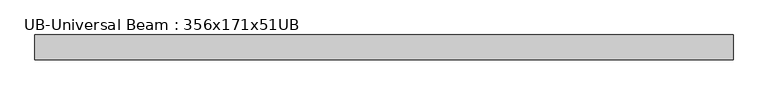
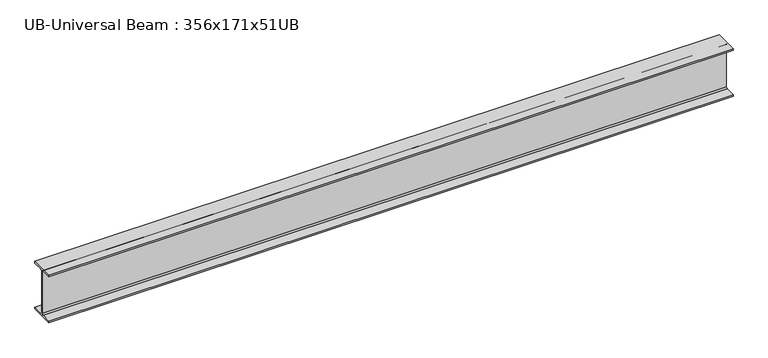
"""IFC4 building model written with IfcOpenShell, lengths in millimetres: beam geometry, UB-Universal Beam : 356x171x51UB."""

from ifc_helpers import new_model, si_unit, point, frame, frame_2d, origin, place, context, project, spatial, polyline, circle_curve, trimmed, segment, composite_curve, outline, extrude, source, transform, mapped, element, save


def ub_universal_beam_356x171x51ub_fc511703(model_context):
    return source(origin(), model_context, "Body", "SweptSolid", [
        extrude(outline(composite_curve([segment(polyline([(85.75, -166.0), (85.75, -177.5), (-85.75, -177.5), (-85.75, -166.0), (-13.9, -166.0)]), True, "CONTINUOUS"), segment(trimmed(circle_curve(frame_2d((-13.9, -155.8)), 10.2), [point((-13.9, -166.0))], [point((-3.7, -155.8))], True, "CARTESIAN"), True, "CONTINUOUS"), segment(polyline([(-3.7, -155.8), (-3.7, 155.8)]), True, "CONTINUOUS"), segment(trimmed(circle_curve(frame_2d((-13.9, 155.8)), 10.2), [point((-3.7, 155.8))], [point((-13.9, 166.0))], True, "CARTESIAN"), True, "CONTINUOUS"), segment(polyline([(-13.9, 166.0), (-85.75, 166.0), (-85.75, 177.5), (85.75, 177.5), (85.75, 166.0), (13.9, 166.0)]), True, "CONTINUOUS"), segment(trimmed(circle_curve(frame_2d((13.9, 155.8)), 10.2), [point((13.9, 166.0))], [point((3.7, 155.8))], True, "CARTESIAN"), True, "CONTINUOUS"), segment(polyline([(3.7, 155.8), (3.7, -155.8)]), True, "CONTINUOUS"), segment(trimmed(circle_curve(frame_2d((13.9, -155.8)), 10.2), [point((3.7, -155.8))], [point((13.9, -166.0))], True, "CARTESIAN"), True, "CONTINUOUS"), segment(polyline([(13.9, -166.0), (85.75, -166.0)]), True, "CONTINUOUS")], self_intersect=False)), frame((-2392.3, 0.0, 0.0), z_axis=(1.0, 0.0, 0.0), x_axis=(0.0, 1.0, 0.0)), (0.0, 0.0, 1.0), 4843.85),
    ])


if __name__ == "__main__":
    model = new_model("IFC4")
    model_context = context("Model", 3, world=origin())
    ifc_project = project(units=[si_unit("LENGTHUNIT", "METRE", prefix="MILLI")], contexts=[model_context])
    site = spatial("IfcSite", under=ifc_project)
    building = spatial("IfcBuilding", under=site)
    placement = place(None, origin())
    ub_universal_beam_356x171x51ub_shape = ub_universal_beam_356x171x51ub_fc511703(model_context)
    element("IfcBeam", 1, ObjectType="UB-Universal Beam : 356x171x51UB", at=placement, inside=building, context=model_context, shape_type="MappedRepresentation", body=[
        mapped(ub_universal_beam_356x171x51ub_shape, transform((0.0, 0.0, 0.0), x_axis=(1.0, 0.0, 0.0), y_axis=(0.0, 1.0, 0.0), z_axis=(0.0, 0.0, 1.0))),
    ])
    save(model, "model.ifc")
